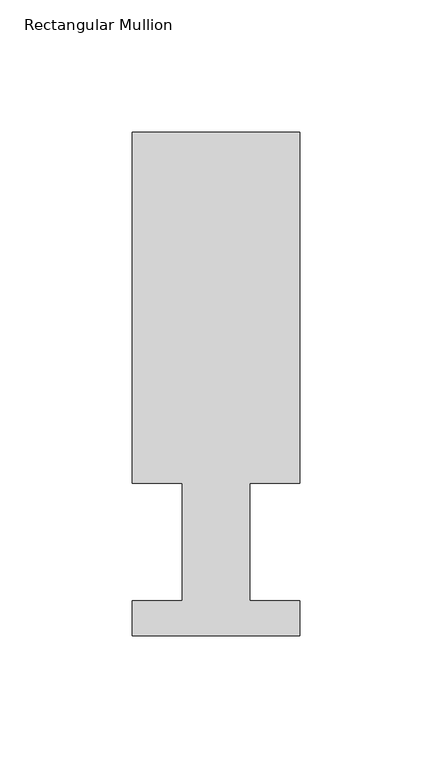
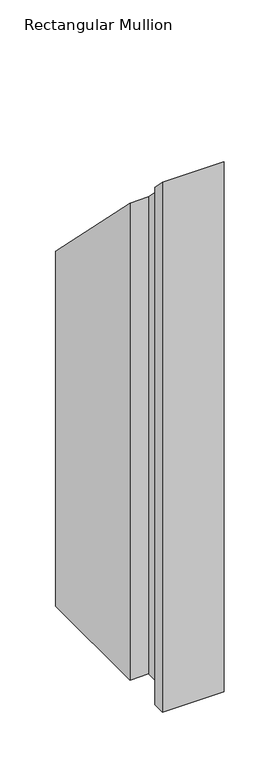
"""IFC4 building model written with IfcOpenShell, lengths in millimetres: member geometry, Rectangular Mullion."""

from ifc_helpers import new_model, si_unit, origin, place, context, project, spatial, faceted_brep, source, transform, mapped, element, save


def rectangular_mullion_dc64796c(model_context):
    return source(origin(), model_context, "Body", "Brep", [
        faceted_brep([(-63.5, 190.5896938, -577.85), (0.0, 190.5896938, -577.85), (0.0, 57.6460937, -577.85), (-19.0373, 57.6460937, -577.85), (-19.0373, 13.1960938, -577.85), (0.0, 13.1960938, -577.85), (0.0, 0.0134938, -577.85), (-63.5, 0.0134938, -577.85), (-63.5, 13.1960938, -577.85), (-44.45, 13.1960938, -577.85), (-44.45, 57.6460937, -577.85), (-63.5, 57.6460937, -577.85), (-63.5, 57.6460937, -57.6460937), (-63.5, 190.5896938, -190.5896938), (-44.45, 57.6460937, -57.6460937), (-44.45, 13.1960938, -13.1960938), (-63.5, 13.1960938, -13.1960938), (-63.5, 0.0134938, -0.0134938), (0.0, 0.0134938, -0.0134938), (0.0, 13.1960938, -13.1960938), (-19.0373, 13.1960938, -13.1960938), (-19.0373, 57.6460937, -57.6460937), (0.0, 57.6460937, -57.6460937), (0.0, 190.5896938, -190.5896938)], [[[0, 1, 2, 3, 4, 5, 6, 7, 8, 9, 10, 11]], [[12, 13, 0, 11]], [[14, 12, 11, 10]], [[15, 14, 10, 9]], [[16, 15, 9, 8]], [[17, 16, 8, 7]], [[18, 17, 7, 6]], [[19, 18, 6, 5]], [[20, 19, 5, 4]], [[21, 20, 4, 3]], [[22, 21, 3, 2]], [[23, 22, 2, 1]], [[13, 23, 1, 0]], [[13, 12, 14, 15, 16, 17, 18, 19, 20, 21, 22, 23]]]),
    ])


if __name__ == "__main__":
    model = new_model("IFC4")
    model_context = context("Model", 3, world=origin())
    ifc_project = project(units=[si_unit("LENGTHUNIT", "METRE", prefix="MILLI")], contexts=[model_context])
    site = spatial("IfcSite", under=ifc_project)
    building = spatial("IfcBuilding", under=site)
    placement = place(None, origin())
    rectangular_mullion_shape = rectangular_mullion_dc64796c(model_context)
    element("IfcMember", 1, ObjectType="Rectangular Mullion", at=placement, inside=building, context=model_context, shape_type="MappedRepresentation", body=[
        mapped(rectangular_mullion_shape, transform((0.0, 0.0, 0.0), x_axis=(1.0, 0.0, 0.0), y_axis=(0.0, 1.0, 0.0), z_axis=(0.0, 0.0, 1.0))),
    ])
    save(model, "model.ifc")
